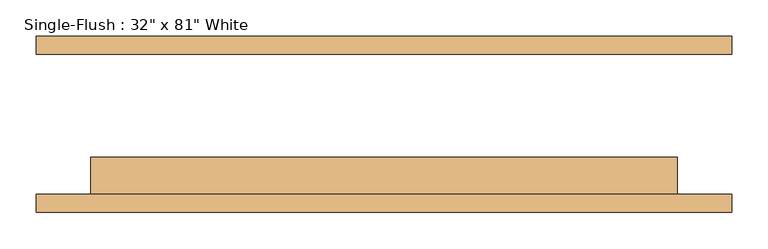
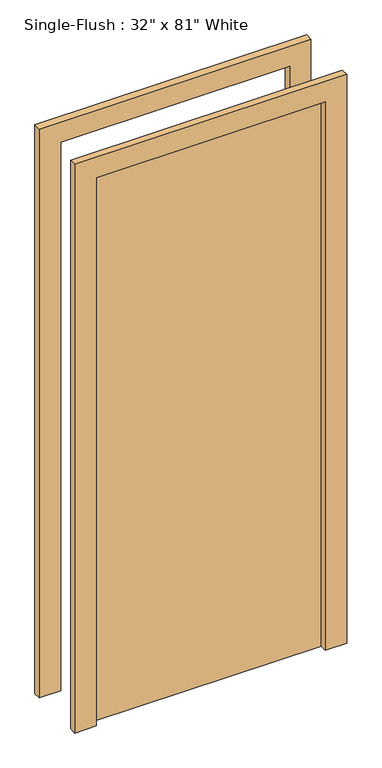
"""IFC4 building model written with IfcOpenShell, lengths in millimetres: door geometry."""

from ifc_helpers import new_model, si_unit, frame, origin, origin_with_axes, place, context, project, spatial, polyline, outline, extrude, source, transform, mapped, element, save


def door_dbcbcaa3(model_context):
    return source(origin(), model_context, "Body", "SweptSolid", [
        extrude(outline(polyline([(2133.6, -482.6), (0.0, -482.6), (0.0, -406.4), (2057.4, -406.4), (2057.4, 406.4), (0.0, 406.4), (0.0, 482.6), (2133.6, 482.6), (2133.6, -482.6)])), frame((0.0, -122.2375, 0.0), z_axis=(0.0, 1.0, 0.0), x_axis=(0.0, 0.0, 1.0)), (0.0, 0.0, 1.0), 25.4),
        extrude(outline(polyline([(2133.6, 482.6), (2133.6, -482.6), (0.0, -482.6), (0.0, -406.4), (2057.4, -406.4), (2057.4, 406.4), (0.0, 406.4), (0.0, 482.6), (2133.6, 482.6)])), frame((0.0, 96.8375, 0.0), z_axis=(0.0, 1.0, 0.0), x_axis=(0.0, 0.0, 1.0)), (0.0, 0.0, 1.0), 25.4),
        extrude(outline(polyline([(406.4, -46.0375), (406.4, -96.8375), (-406.4, -96.8375), (-406.4, -46.0375), (406.4, -46.0375)])), origin_with_axes(), (0.0, 0.0, 1.0), 2057.4),
    ])


if __name__ == "__main__":
    model = new_model("IFC4")
    model_context = context("Model", 3, world=origin())
    ifc_project = project(units=[si_unit("LENGTHUNIT", "METRE", prefix="MILLI")], contexts=[model_context])
    site = spatial("IfcSite", under=ifc_project)
    building = spatial("IfcBuilding", under=site)
    placement = place(None, origin())
    door_shape = door_dbcbcaa3(model_context)
    element("IfcDoor", 1, ObjectType="Single-Flush : 32\" x 81\" White", at=placement, inside=building, context=model_context, shape_type="MappedRepresentation", body=[
        mapped(door_shape, transform((0.0, 0.0, 0.0), x_axis=(1.0, 0.0, 0.0), y_axis=(0.0, 1.0, 0.0), z_axis=(0.0, 0.0, 1.0))),
    ])
    save(model, "model.ifc")
